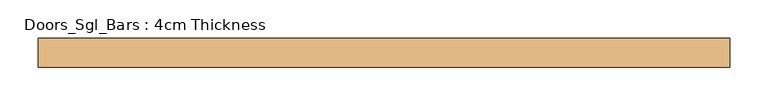
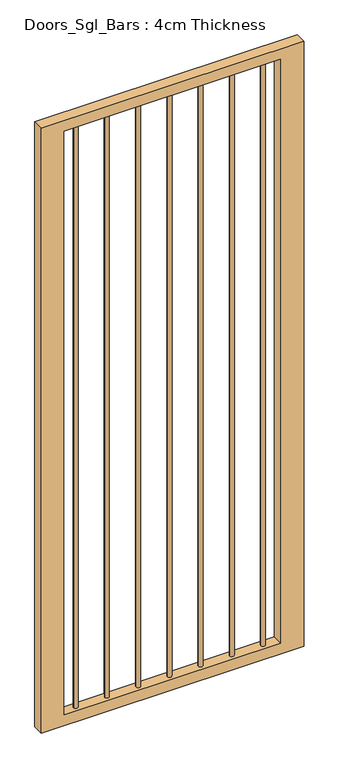
"""IFC4 building model written with IfcOpenShell, lengths in millimetres: door geometry, Doors_Sgl_Bars : 4cm Thickness."""

from ifc_helpers import new_model, si_unit, point, frame, frame_2d, origin, origin_2d, place, context, project, spatial, polyline, circle_curve, trimmed, segment, composite_curve, outline, extrude, source, transform, mapped, element, save


def doors_sgl_bars_4cm_thickness_746a12a4(model_context):
    return source(origin(), model_context, "Body", "SweptSolid", [
        extrude(outline(composite_curve([segment(trimmed(circle_curve(frame_2d((216.0166667, 0.0)), 7.5), [point((208.5166667, 0.0))], [point((223.5166667, 0.0))], False, "CARTESIAN"), True, "CONTINUOUS"), segment(trimmed(circle_curve(frame_2d((216.0166667, 0.0)), 7.5), [point((223.5166667, 0.0))], [point((208.5166667, 0.0))], False, "CARTESIAN"), True, "CONTINUOUS")], self_intersect=False)), frame((0.0, 0.0, 38.1), z_axis=(0.0, 0.0, 1.0), x_axis=(1.0, 0.0, 0.0)), (0.0, 0.0, 1.0), 2133.6),
        extrude(outline(composite_curve([segment(trimmed(circle_curve(frame_2d((108.0083333, 0.0)), 7.5), [point((100.5083333, 0.0))], [point((115.5083333, 0.0))], False, "CARTESIAN"), True, "CONTINUOUS"), segment(trimmed(circle_curve(frame_2d((108.0083333, 0.0)), 7.5), [point((115.5083333, 0.0))], [point((100.5083333, 0.0))], False, "CARTESIAN"), True, "CONTINUOUS")], self_intersect=False)), frame((0.0, 0.0, 38.1), z_axis=(0.0, 0.0, 1.0), x_axis=(1.0, 0.0, 0.0)), (0.0, 0.0, 1.0), 2133.6),
        extrude(outline(composite_curve([segment(trimmed(circle_curve(origin_2d(), 7.5), [point((-7.5, 0.0))], [point((7.5, 0.0))], False, "CARTESIAN"), True, "CONTINUOUS"), segment(trimmed(circle_curve(origin_2d(), 7.5), [point((7.5, 0.0))], [point((-7.5, 0.0))], False, "CARTESIAN"), True, "CONTINUOUS")], self_intersect=False)), frame((0.0, 0.0, 38.1), z_axis=(0.0, 0.0, 1.0), x_axis=(1.0, 0.0, 0.0)), (0.0, 0.0, 1.0), 2133.6),
        extrude(outline(composite_curve([segment(trimmed(circle_curve(frame_2d((-108.0083333, 0.0)), 7.5), [point((-115.5083333, 0.0))], [point((-100.5083333, 0.0))], False, "CARTESIAN"), True, "CONTINUOUS"), segment(trimmed(circle_curve(frame_2d((-108.0083333, 0.0)), 7.5), [point((-100.5083333, 0.0))], [point((-115.5083333, 0.0))], False, "CARTESIAN"), True, "CONTINUOUS")], self_intersect=False)), frame((0.0, 0.0, 38.1), z_axis=(0.0, 0.0, 1.0), x_axis=(1.0, 0.0, 0.0)), (0.0, 0.0, 1.0), 2133.6),
        extrude(outline(composite_curve([segment(trimmed(circle_curve(frame_2d((-216.0166667, 0.0)), 7.5), [point((-223.5166667, 0.0))], [point((-208.5166667, 0.0))], False, "CARTESIAN"), True, "CONTINUOUS"), segment(trimmed(circle_curve(frame_2d((-216.0166667, 0.0)), 7.5), [point((-208.5166667, 0.0))], [point((-223.5166667, 0.0))], False, "CARTESIAN"), True, "CONTINUOUS")], self_intersect=False)), frame((0.0, 0.0, 38.1), z_axis=(0.0, 0.0, 1.0), x_axis=(1.0, 0.0, 0.0)), (0.0, 0.0, 1.0), 2133.6),
        extrude(outline(composite_curve([segment(trimmed(circle_curve(frame_2d((324.025, 0.0)), 7.5), [point((316.525, 0.0))], [point((331.525, 0.0))], False, "CARTESIAN"), True, "CONTINUOUS"), segment(trimmed(circle_curve(frame_2d((324.025, 0.0)), 7.5), [point((331.525, 0.0))], [point((316.525, 0.0))], False, "CARTESIAN"), True, "CONTINUOUS")], self_intersect=False)), frame((0.0, 0.0, 38.1), z_axis=(0.0, 0.0, 1.0), x_axis=(1.0, 0.0, 0.0)), (0.0, 0.0, 1.0), 2133.6),
        extrude(outline(composite_curve([segment(trimmed(circle_curve(frame_2d((-324.025, 0.0)), 7.5), [point((-331.525, 0.0))], [point((-316.525, 0.0))], False, "CARTESIAN"), True, "CONTINUOUS"), segment(trimmed(circle_curve(frame_2d((-324.025, 0.0)), 7.5), [point((-316.525, 0.0))], [point((-331.525, 0.0))], False, "CARTESIAN"), True, "CONTINUOUS")], self_intersect=False)), frame((0.0, 0.0, 38.1), z_axis=(0.0, 0.0, 1.0), x_axis=(1.0, 0.0, 0.0)), (0.0, 0.0, 1.0), 2133.6),
        extrude(outline(polyline([(2208.7291869, 454.025), (2208.7291869, -454.025), (0.0, -454.025), (0.0, 454.025), (2208.7291869, 454.025)]), holes=[polyline([(2170.6291869, 374.025), (38.1, 374.025), (38.1, -374.025), (2170.6291869, -374.025), (2170.6291869, 374.025)])]), frame((0.0, -19.05, 0.0), z_axis=(0.0, 1.0, 0.0), x_axis=(0.0, 0.0, 1.0)), (0.0, 0.0, 1.0), 38.1),
    ])


if __name__ == "__main__":
    model = new_model("IFC4")
    model_context = context("Model", 3, world=origin())
    ifc_project = project(units=[si_unit("LENGTHUNIT", "METRE", prefix="MILLI")], contexts=[model_context])
    site = spatial("IfcSite", under=ifc_project)
    building = spatial("IfcBuilding", under=site)
    placement = place(None, origin())
    doors_sgl_bars_4cm_thickness_shape = doors_sgl_bars_4cm_thickness_746a12a4(model_context)
    element("IfcDoor", 1, ObjectType="Doors_Sgl_Bars : 4cm Thickness", at=placement, inside=building, context=model_context, shape_type="MappedRepresentation", body=[
        mapped(doors_sgl_bars_4cm_thickness_shape, transform((0.0, 0.0, 0.0), x_axis=(1.0, 0.0, 0.0), y_axis=(0.0, 1.0, 0.0), z_axis=(0.0, 0.0, 1.0))),
    ])
    save(model, "model.ifc")
